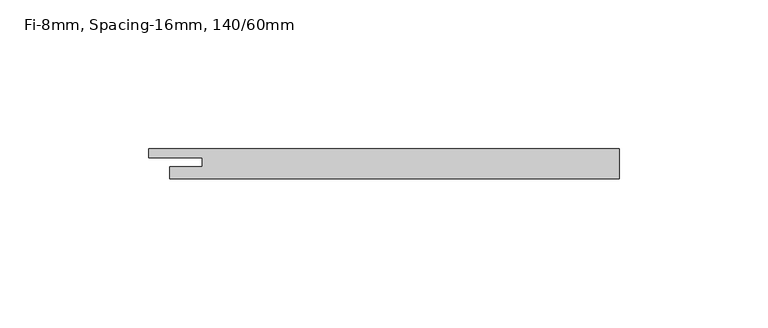
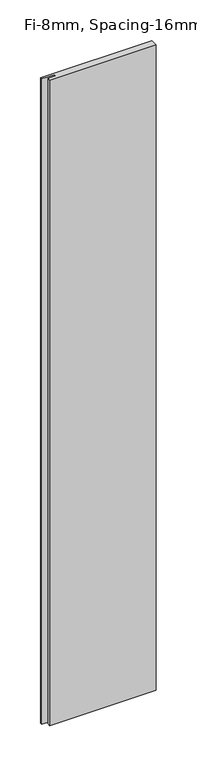
"""IFC4 building model written with IfcOpenShell, lengths in millimetres: plate geometry, Fi-8mm, Spacing-16mm, 140/60mm."""

import ifcopenshell
import ifcopenshell.guid

model = None  # the IFC model being written
_history = None  # IfcOwnerHistory: only IFC2X3 demands one
_inside = {}  # id of a spatial element -> (the spatial element, [elements in it])
_under = {}  # id of a project, library or spatial element -> (it, [spatial elements below it])
_declared = {}  # id of a project -> (the project, [libraries it declares])
_typed = {}  # id of a type object -> (the type object, [elements of that type])
_made_of = {}  # id of a material, layer set ... -> (it, [elements and type objects made of it])


def new_model(schema):
    """Start an empty IFC model of exactly this schema.

    Asked for "IFC4X3", IfcOpenShell would pick the latest addendum, in which some entities
    have other attributes; the version numbers below select the first issue.
    IFC2X3 requires an IfcOwnerHistory on every rooted entity: one is made here for all.
    """
    global model, _history
    if schema == "IFC4X3":
        model = ifcopenshell.file(schema_version=(4, 3, 0, 0))
    else:
        model = ifcopenshell.file(schema=schema)
    _inside.clear()
    _under.clear()
    _declared.clear()
    _typed.clear()
    _made_of.clear()
    _history = None
    if model.schema == "IFC2X3":
        org = make("IfcOrganization", Name="unknown")
        user = make(
            "IfcPersonAndOrganization",
            ThePerson=make("IfcPerson", FamilyName="unknown"),
            TheOrganization=org,
        )
        app = make(
            "IfcApplication",
            ApplicationDeveloper=org,
            Version="unknown",
            ApplicationFullName="unknown",
            ApplicationIdentifier="unknown",
        )
        _history = make(
            "IfcOwnerHistory",
            OwningUser=user,
            OwningApplication=app,
            ChangeAction="ADDED",
            CreationDate=0,
        )
    return model


def make(cls, **values):
    """One entity of the class cls with the attributes given. An attribute that is None is left unset."""
    return model.create_entity(
        cls, **{name: value for name, value in values.items() if value is not None}
    )


def rooted(cls, **values):
    """An entity with a GlobalId (a new one), such as an element, a storey or a relation."""
    return make(cls, GlobalId=ifcopenshell.guid.new(), OwnerHistory=_history, **values)


def si_unit(unit_type, name, prefix=None):
    """IfcSIUnit, for example si_unit("LENGTHUNIT", "METRE", prefix="MILLI")."""
    return make("IfcSIUnit", UnitType=unit_type, Prefix=prefix, Name=name)


def assignment(units):
    """IfcUnitAssignment: the units of a project."""
    return None if units is None else make("IfcUnitAssignment", Units=units)


def point(xyz):
    """IfcCartesianPoint."""
    return None if xyz is None else make("IfcCartesianPoint", Coordinates=xyz)


def direction(xyz):
    """IfcDirection."""
    return None if xyz is None else make("IfcDirection", DirectionRatios=xyz)


def frame(location, z_axis=None, x_axis=None):
    """IfcAxis2Placement3D, a coordinate frame: its origin and axes. An axis left out is left unset."""
    return make(
        "IfcAxis2Placement3D",
        Location=point(location),
        Axis=direction(z_axis),
        RefDirection=direction(x_axis),
    )


def origin():
    """The frame at (0, 0, 0) with its axes left unset."""
    return frame((0.0, 0.0, 0.0))


def origin_with_axes():
    """The frame at (0, 0, 0) with the z axis (0, 0, 1) and the x axis (1, 0, 0) written out."""
    return frame((0.0, 0.0, 0.0), z_axis=(0.0, 0.0, 1.0), x_axis=(1.0, 0.0, 0.0))


def place(relative_to, where):
    """IfcLocalPlacement: puts the frame where relative to a parent placement (None: the world)."""
    return make(
        "IfcLocalPlacement", PlacementRelTo=relative_to, RelativePlacement=where
    )


def context(
    kind, dimensions, precision=None, world=None, true_north=None, identifier=None
):
    """IfcGeometricRepresentationContext, for example the 3D "Model" context."""
    return make(
        "IfcGeometricRepresentationContext",
        ContextIdentifier=identifier,
        ContextType=kind,
        CoordinateSpaceDimension=dimensions,
        Precision=precision,
        WorldCoordinateSystem=world,
        TrueNorth=true_north,
    )


def project(units=None, contexts=None):
    """IfcProject with its units and contexts."""
    return rooted(
        "IfcProject",
        Name="project",
        RepresentationContexts=contexts,
        UnitsInContext=assignment(units),
    )


def spatial(cls, under=None, at=None, **own):
    """A site, building, storey or space (cls), placed at a placement, below another one or the project."""
    s = rooted(cls, ObjectPlacement=at, **own)
    if under is not None:
        _under.setdefault(under.id(), (under, []))[1].append(s)
    return s


def polyline(points):
    """IfcPolyline through the points."""
    return make("IfcPolyline", Points=[point(p) for p in points])


def outline(outer, holes=None, kind="AREA"):
    """IfcArbitraryClosedProfileDef: a profile drawn as a closed curve; with holes, ...WithVoids."""
    if holes is None:
        return make("IfcArbitraryClosedProfileDef", ProfileType=kind, OuterCurve=outer)
    return make(
        "IfcArbitraryProfileDefWithVoids",
        ProfileType=kind,
        OuterCurve=outer,
        InnerCurves=holes,
    )


def extrude(swept, where, along, depth):
    """IfcExtrudedAreaSolid: the profile swept, set in the frame where, extruded along a direction by depth."""
    return make(
        "IfcExtrudedAreaSolid",
        SweptArea=swept,
        Position=where,
        ExtrudedDirection=direction(along),
        Depth=depth,
    )


def shape(context_of_items, identifier, shape_type, items):
    """IfcShapeRepresentation: the items that make up one representation, for example the "Body"."""
    return make(
        "IfcShapeRepresentation",
        ContextOfItems=context_of_items,
        RepresentationIdentifier=identifier,
        RepresentationType=shape_type,
        Items=items,
    )


def source(mapping_origin, context_of_items, identifier, shape_type, items):
    """IfcRepresentationMap: a shape defined once, which mapped items show again and again."""
    return make(
        "IfcRepresentationMap",
        MappingOrigin=mapping_origin,
        MappedRepresentation=shape(context_of_items, identifier, shape_type, items),
    )


def transform(
    local_origin,
    x_axis=None,
    y_axis=None,
    z_axis=None,
    scale=None,
    scale2=None,
    scale3=None,
    uniform=True,
):
    """IfcCartesianTransformationOperator3D, or its non-uniform kind. x_axis, y_axis, z_axis: its Axis1, 2, 3."""
    if uniform:
        return make(
            "IfcCartesianTransformationOperator3D",
            Axis1=direction(x_axis),
            Axis2=direction(y_axis),
            LocalOrigin=point(local_origin),
            Scale=scale,
            Axis3=direction(z_axis),
        )
    return make(
        "IfcCartesianTransformationOperator3DnonUniform",
        Axis1=direction(x_axis),
        Axis2=direction(y_axis),
        LocalOrigin=point(local_origin),
        Scale=scale,
        Axis3=direction(z_axis),
        Scale2=scale2,
        Scale3=scale3,
    )


def mapped(mapping_source, mapping_target):
    """IfcMappedItem: shows the shape of a source again, moved by a transform."""
    return make(
        "IfcMappedItem", MappingSource=mapping_source, MappingTarget=mapping_target
    )


def made_of(thing, what):
    """Note that an element or type object is made of a material, layer set ...; save() writes the relation."""
    if what is not None:
        _made_of.setdefault(what.id(), (what, []))[1].append(thing)
    return thing


def element(
    cls,
    number,
    at=None,
    inside=None,
    cuts=None,
    type_object=None,
    material=None,
    context=None,
    identifier="Body",
    shape_type=None,
    held_by="IfcProductDefinitionShape",
    body=None,
    shapes=None,
    **own,
):
    """One element of the class cls, such as IfcWall. Its Tag is "e" and its number.

    at: its placement. inside: the storey or other place that contains it. cuts: it is an
    opening in that element (IfcRelVoidsElement). A single representation is given by context,
    identifier, shape_type and body (its items); several are given by shapes. held_by: the class
    of the entity that holds the representations. save() writes the other relations.
    """
    e = rooted(cls, Tag="e%d" % number, ObjectPlacement=at, **own)
    if body is not None:
        shapes = [shape(context, identifier, shape_type, body)]
    if shapes is not None:
        e.Representation = make(held_by, Representations=shapes)
    if inside is not None:
        _inside.setdefault(inside.id(), (inside, []))[1].append(e)
    if cuts is not None:
        rooted(
            "IfcRelVoidsElement", RelatingBuildingElement=cuts, RelatedOpeningElement=e
        )
    if type_object is not None:
        _typed.setdefault(type_object.id(), (type_object, []))[1].append(e)
    return made_of(e, material)


def aggregate(whole, parts):
    """IfcRelAggregates: a whole, such as a stair, and the parts it consists of."""
    return rooted("IfcRelAggregates", RelatingObject=whole, RelatedObjects=parts)


def save(model, path):
    """Write the relations noted so far, then the file.

    IfcRelAggregates (storeys below a building ...), IfcRelContainedInSpatialStructure (elements
    in a storey), IfcRelDefinesByType, IfcRelAssociatesMaterial and IfcRelDeclares: one each for
    every whole, place, type object, material and project.
    """
    for whole, parts in _under.values():
        aggregate(whole, parts)
    for where, things in _inside.values():
        rooted(
            "IfcRelContainedInSpatialStructure",
            RelatedElements=things,
            RelatingStructure=where,
        )
    for kind, things in _typed.values():
        rooted("IfcRelDefinesByType", RelatedObjects=things, RelatingType=kind)
    for what, things in _made_of.values():
        rooted("IfcRelAssociatesMaterial", RelatedObjects=things, RelatingMaterial=what)
    for by, libraries in _declared.values():
        rooted("IfcRelDeclares", RelatingContext=by, RelatedDefinitions=libraries)
    model.write(path)


def fi_8mm_spacing_16mm_140_60mm_19d59e64(model_context):
    return source(origin(), model_context, "Body", "SweptSolid", [
        extrude(outline(polyline([(75.5, -5.0), (-75.5, -5.0), (-75.5, -1.0), (-64.5, -1.0), (-64.5, 2.0), (-82.5, 2.0), (-82.5, 5.0), (75.5, 5.0), (75.5, -5.0)])), origin_with_axes(), (0.0, 0.0, 1.0), 966.8),
    ])


if __name__ == "__main__":
    model = new_model("IFC4")
    model_context = context("Model", 3, world=origin())
    ifc_project = project(units=[si_unit("LENGTHUNIT", "METRE", prefix="MILLI")], contexts=[model_context])
    site = spatial("IfcSite", under=ifc_project)
    building = spatial("IfcBuilding", under=site)
    placement = place(None, origin())
    fi_8mm_spacing_16mm_140_60mm_shape = fi_8mm_spacing_16mm_140_60mm_19d59e64(model_context)
    element("IfcPlate", 1, ObjectType="Fi-8mm, Spacing-16mm, 140/60mm", at=placement, inside=building, context=model_context, shape_type="MappedRepresentation", body=[
        mapped(fi_8mm_spacing_16mm_140_60mm_shape, transform((0.0, 0.0, 0.0), x_axis=(1.0, 0.0, 0.0), y_axis=(0.0, 1.0, 0.0), z_axis=(0.0, 0.0, 1.0))),
    ])
    save(model, "model.ifc")
